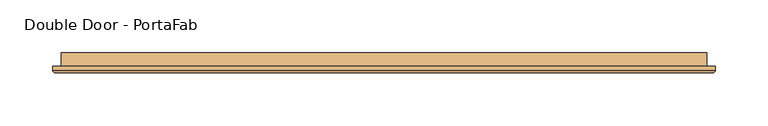
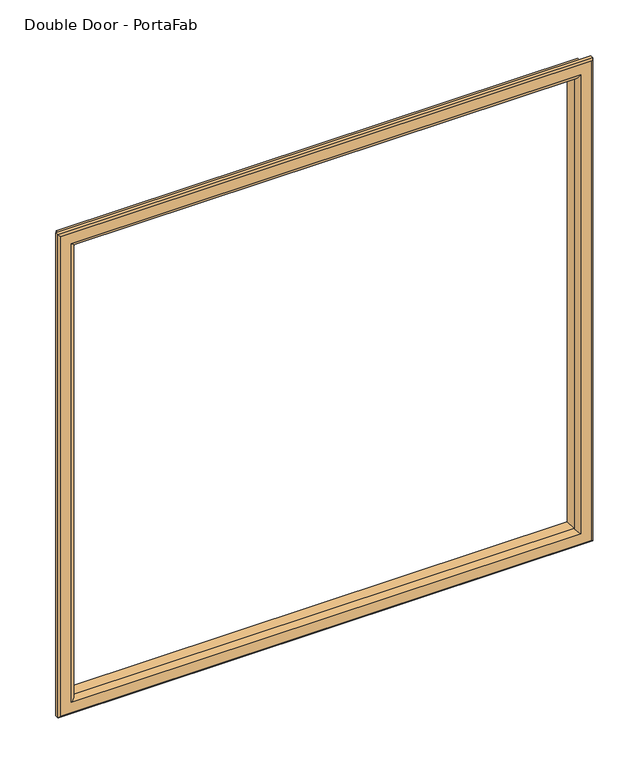
"""IFC4 building model written with IfcOpenShell, lengths in millimetres: door geometry, Double Door - PortaFab."""

from ifc_helpers import new_model, si_unit, frame, origin, place, context, project, spatial, ellipse_curve, source, transform, mapped, element, save
from ifc_brep_helpers import plane_surface, cylinder_surface, advanced_brep


def double_door_portafab_1abb4cab(model_context):
    return source(origin(), model_context, "Body", "AdvancedBrep", [
        advanced_brep(
        [(-762.0, 33.3375, 1270.0), (-762.0, 20.6375, 1270.0), (-762.0, 20.6375, 1851.025), (-762.0, 33.3375, 1851.025), (-750.0, 19.6375, 1282.0), (-750.0, 33.3375, 1282.0), (-750.0, 33.3375, 1839.025), (-750.0, 19.6375, 1839.025), (-755.0, 14.6375, 1277.0), (-755.0, 14.6375, 1844.025), (-770.0, 16.6375, 1262.0), (-768.0, 14.6375, 1264.0), (-768.0, 14.6375, 1857.025), (-770.0, 16.6375, 1859.025), (-770.0, 20.6375, 1262.0), (-770.0, 20.6375, 1859.025), (-152.4, 20.6375, 1851.025), (-152.4, 33.3375, 1851.025), (-164.4, 33.3375, 1839.025), (-164.4, 19.6375, 1839.025), (-159.4, 14.6375, 1844.025), (-146.4, 14.6375, 1857.025), (-144.4, 16.6375, 1859.025), (-144.4, 20.6375, 1859.025), (-152.4, 20.6375, 1270.0), (-152.4, 33.3375, 1270.0), (-164.4, 33.3375, 1282.0), (-164.4, 19.6375, 1282.0), (-159.4, 14.6375, 1277.0), (-146.4, 14.6375, 1264.0), (-144.4, 16.6375, 1262.0), (-144.4, 20.6375, 1262.0)],
        [
            (0, 1),
            (1, 2),
            (2, 3),
            (3, 0),
            (4, 5),
            (5, 6),
            (6, 7),
            (7, 4),
            (8, 4, ellipse_curve(frame((-755.0, 19.6375, 1277.0), z_axis=(-0.7071067811865475, 0.0, 0.7071067811865475), x_axis=(-0.7071067811865474, 0.0, -0.7071067811865476)), 7.0710678, 5.0)),
            (7, 9, ellipse_curve(frame((-755.0, 19.6375, 1844.025), z_axis=(-0.7071067811865475, 0.0, -0.7071067811865475), x_axis=(0.7071067811865474, 0.0, -0.7071067811865476)), 7.0710678, 5.0)),
            (9, 8),
            (10, 11, ellipse_curve(frame((-768.0, 16.6375, 1264.0), z_axis=(-0.7071067811865475, 0.0, 0.7071067811865475), x_axis=(-0.7071067811865474, 0.0, -0.7071067811865476)), 2.8284271, 2.0)),
            (11, 12),
            (12, 13, ellipse_curve(frame((-768.0, 16.6375, 1857.025), z_axis=(-0.7071067811865475, 0.0, -0.7071067811865475), x_axis=(0.7071067811865474, 0.0, -0.7071067811865476)), 2.8284271, 2.0)),
            (13, 10),
            (14, 10),
            (13, 15),
            (15, 14),
            (2, 16),
            (16, 17),
            (17, 3),
            (6, 18),
            (18, 19),
            (19, 7),
            (19, 20, ellipse_curve(frame((-159.4, 19.6375, 1844.025), z_axis=(-0.7071067811865475, 0.0, 0.7071067811865475), x_axis=(-0.7071067811865476, 0.0, -0.7071067811865474)), 7.0710678, 5.0)),
            (20, 9),
            (12, 21),
            (21, 22, ellipse_curve(frame((-146.4, 16.6375, 1857.025), z_axis=(-0.7071067811865475, 0.0, 0.7071067811865475), x_axis=(-0.7071067811865476, 0.0, -0.7071067811865474)), 2.8284271, 2.0)),
            (22, 13),
            (22, 23),
            (23, 15),
            (16, 24),
            (24, 25),
            (25, 17),
            (18, 26),
            (26, 27),
            (27, 19),
            (27, 28, ellipse_curve(frame((-159.4, 19.6375, 1277.0), z_axis=(0.7071067811865475, 0.0, 0.7071067811865475), x_axis=(-0.7071067811865474, 0.0, 0.7071067811865476)), 7.0710678, 5.0)),
            (28, 20),
            (21, 29),
            (29, 30, ellipse_curve(frame((-146.4, 16.6375, 1264.0), z_axis=(0.7071067811865475, 0.0, 0.7071067811865475), x_axis=(-0.7071067811865474, 0.0, 0.7071067811865476)), 2.8284271, 2.0)),
            (30, 22),
            (30, 31),
            (31, 23),
            (31, 14),
            (1, 24),
            (0, 25),
            (5, 26),
            (4, 27),
            (8, 28),
            (11, 29),
            (10, 30),
        ],
        [
            plane_surface(frame((-762.0, 20.6375, 1270.0), z_axis=(-1.0, 0.0, 0.0), x_axis=(0.0, 0.0, 1.0))),
            plane_surface(frame((-750.0, 33.3375, 1282.0), z_axis=(1.0, 0.0, 0.0), x_axis=(0.0, 0.0, 1.0))),
            cylinder_surface(frame((-755.0, 19.6375, 1270.0), z_axis=(0.0, 0.0, -1.0), x_axis=(-1.0, 0.0, 0.0)), 5.0),
            cylinder_surface(frame((-768.0, 16.6375, 1270.0), z_axis=(0.0, 0.0, -1.0), x_axis=(-1.0, 0.0, 0.0)), 2.0),
            plane_surface(frame((-770.0, 16.6375, 1262.0), z_axis=(-1.0, 0.0, 0.0), x_axis=(0.0, 0.0, 1.0))),
            plane_surface(frame((-762.0, 20.6375, 1851.025), z_axis=(0.0, 0.0, 1.0), x_axis=(1.0, 0.0, 0.0))),
            plane_surface(frame((-750.0, 33.3375, 1839.025), z_axis=(0.0, 0.0, -1.0), x_axis=(1.0, 0.0, 0.0))),
            cylinder_surface(frame((-762.0, 19.6375, 1844.025), z_axis=(-1.0, 0.0, 0.0), x_axis=(0.0, 0.0, 1.0)), 5.0),
            cylinder_surface(frame((-762.0, 16.6375, 1857.025), z_axis=(-1.0, 0.0, 0.0), x_axis=(0.0, 0.0, 1.0)), 2.0),
            plane_surface(frame((-770.0, 16.6375, 1859.025), z_axis=(0.0, 0.0, 1.0), x_axis=(1.0, 0.0, 0.0))),
            plane_surface(frame((-152.4, 20.6375, 1851.025), z_axis=(1.0, 0.0, 0.0), x_axis=(0.0, 0.0, -1.0))),
            plane_surface(frame((-164.4, 33.3375, 1839.025), z_axis=(-1.0, 0.0, 0.0), x_axis=(0.0, 0.0, -1.0))),
            cylinder_surface(frame((-159.4, 19.6375, 1851.025), z_axis=(0.0, 0.0, 1.0), x_axis=(1.0, 0.0, 0.0)), 5.0),
            cylinder_surface(frame((-146.4, 16.6375, 1851.025), z_axis=(0.0, 0.0, 1.0), x_axis=(1.0, 0.0, 0.0)), 2.0),
            plane_surface(frame((-144.4, 16.6375, 1859.025), z_axis=(1.0, 0.0, 0.0), x_axis=(0.0, 0.0, -1.0))),
            plane_surface(frame((-144.4, 20.6375, 1262.0), z_axis=(0.0, 1.0, 0.0), x_axis=(-1.0, 0.0, 0.0))),
            plane_surface(frame((-152.4, 20.6375, 1270.0), z_axis=(0.0, 0.0, -1.0), x_axis=(-1.0, 0.0, 0.0))),
            plane_surface(frame((-152.4, 33.3375, 1270.0), z_axis=(0.0, 1.0, 0.0), x_axis=(-1.0, 0.0, 0.0))),
            plane_surface(frame((-164.4, 33.3375, 1282.0), z_axis=(0.0, 0.0, 1.0), x_axis=(-1.0, 0.0, 0.0))),
            cylinder_surface(frame((-152.4, 19.6375, 1277.0), z_axis=(1.0, 0.0, 0.0), x_axis=(0.0, 0.0, -1.0)), 5.0),
            plane_surface(frame((-159.4, 14.6375, 1277.0), z_axis=(0.0, -1.0, 0.0), x_axis=(-1.0, 0.0, 0.0))),
            cylinder_surface(frame((-152.4, 16.6375, 1264.0), z_axis=(1.0, 0.0, 0.0), x_axis=(0.0, 0.0, -1.0)), 2.0),
            plane_surface(frame((-144.4, 16.6375, 1262.0), z_axis=(0.0, 0.0, -1.0), x_axis=(-1.0, 0.0, 0.0))),
        ],
        [
            (0, [[1, 2, 3, 4]]),
            (1, [[5, 6, 7, 8]]),
            (2, [[9, -8, 10, 11]]),
            (3, [[12, 13, 14, 15]]),
            (4, [[16, -15, 17, 18]]),
            (5, [[-3, 19, 20, 21]]),
            (6, [[-7, 22, 23, 24]]),
            (7, [[-10, -24, 25, 26]]),
            (8, [[-14, 27, 28, 29]]),
            (9, [[-17, -29, 30, 31]]),
            (10, [[-20, 32, 33, 34]]),
            (11, [[-23, 35, 36, 37]]),
            (12, [[-25, -37, 38, 39]]),
            (13, [[-28, 40, 41, 42]]),
            (14, [[-30, -42, 43, 44]]),
            (15, [[-31, -44, 45, -18], [46, -32, -19, -2]]),
            (16, [[-33, -46, -1, 47]]),
            (17, [[-21, -34, -47, -4], [48, -35, -22, -6]]),
            (18, [[-36, -48, -5, 49]]),
            (19, [[-38, -49, -9, 50]]),
            (20, [[51, -40, -27, -13], [-26, -39, -50, -11]]),
            (21, [[-41, -51, -12, 52]]),
            (22, [[-43, -52, -16, -45]]),
        ],
    ),
    ])


if __name__ == "__main__":
    model = new_model("IFC4")
    model_context = context("Model", 3, world=origin())
    ifc_project = project(units=[si_unit("LENGTHUNIT", "METRE", prefix="MILLI")], contexts=[model_context])
    site = spatial("IfcSite", under=ifc_project)
    building = spatial("IfcBuilding", under=site)
    placement = place(None, origin())
    double_door_portafab_shape = double_door_portafab_1abb4cab(model_context)
    element("IfcDoor", 1, ObjectType="Double Door - PortaFab", at=placement, inside=building, context=model_context, shape_type="MappedRepresentation", body=[
        mapped(double_door_portafab_shape, transform((0.0, 0.0, 0.0), x_axis=(1.0, 0.0, 0.0), y_axis=(0.0, 1.0, 0.0), z_axis=(0.0, 0.0, 1.0))),
    ])
    save(model, "model.ifc")
